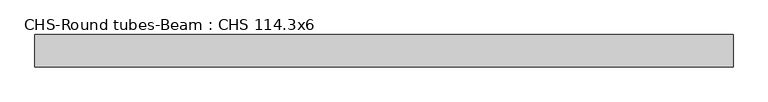
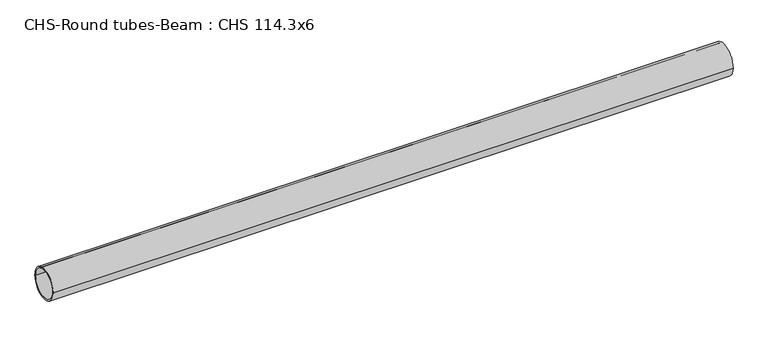
"""IFC4 building model written with IfcOpenShell, lengths in millimetres: beam geometry, CHS-Round tubes-Beam : CHS 114.3x6."""

from ifc_helpers import new_model, si_unit, point, frame, origin, origin_2d, place, context, project, spatial, circle_curve, trimmed, segment, composite_curve, outline, extrude, source, transform, mapped, element, save


def chs_round_tubes_beam_chs_114_3x6_951ce137(model_context):
    return source(origin(), model_context, "Body", "SweptSolid", [
        extrude(outline(composite_curve([segment(trimmed(circle_curve(origin_2d(), 57.15), [point((57.15, 0.0))], [point((-57.15, 0.0))], False, "CARTESIAN"), True, "CONTINUOUS"), segment(trimmed(circle_curve(origin_2d(), 57.15), [point((-57.15, 0.0))], [point((57.15, 0.0))], False, "CARTESIAN"), True, "CONTINUOUS")], self_intersect=False), holes=[composite_curve([segment(trimmed(circle_curve(origin_2d(), 51.15), [point((51.15, 0.0))], [point((-51.15, 0.0))], True, "CARTESIAN"), True, "CONTINUOUS"), segment(trimmed(circle_curve(origin_2d(), 51.15), [point((-51.15, 0.0))], [point((51.15, 0.0))], True, "CARTESIAN"), True, "CONTINUOUS")], self_intersect=False)]), frame((-1168.4168349, 0.0, 0.0), z_axis=(1.0, 0.0, 0.0), x_axis=(0.0, 1.0, 0.0)), (0.0, 0.0, 1.0), 2457.0862182),
    ])


if __name__ == "__main__":
    model = new_model("IFC4")
    model_context = context("Model", 3, world=origin())
    ifc_project = project(units=[si_unit("LENGTHUNIT", "METRE", prefix="MILLI")], contexts=[model_context])
    site = spatial("IfcSite", under=ifc_project)
    building = spatial("IfcBuilding", under=site)
    placement = place(None, origin())
    chs_round_tubes_beam_chs_114_3x6_shape = chs_round_tubes_beam_chs_114_3x6_951ce137(model_context)
    element("IfcBeam", 1, ObjectType="CHS-Round tubes-Beam : CHS 114.3x6", at=placement, inside=building, context=model_context, shape_type="MappedRepresentation", body=[
        mapped(chs_round_tubes_beam_chs_114_3x6_shape, transform((0.0, 0.0, 0.0), x_axis=(1.0, 0.0, 0.0), y_axis=(0.0, 1.0, 0.0), z_axis=(0.0, 0.0, 1.0))),
    ])
    save(model, "model.ifc")
